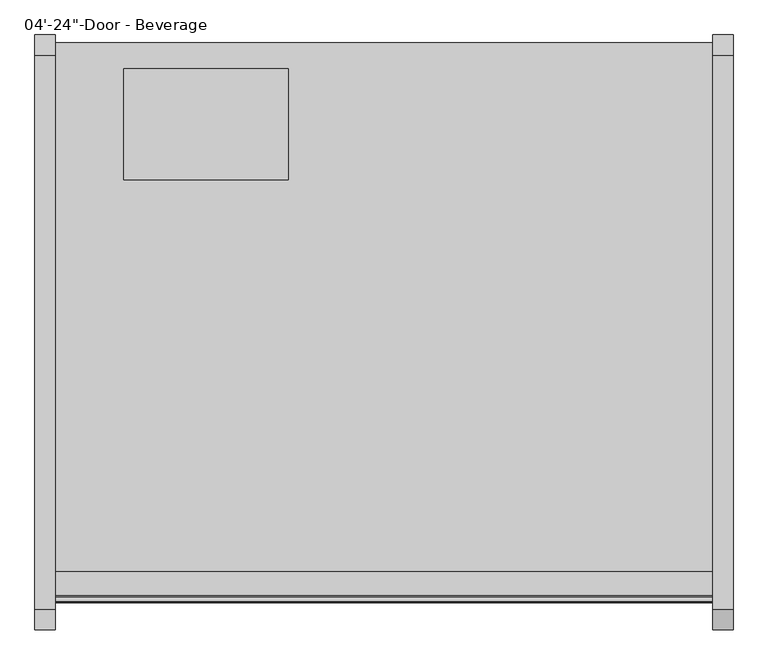
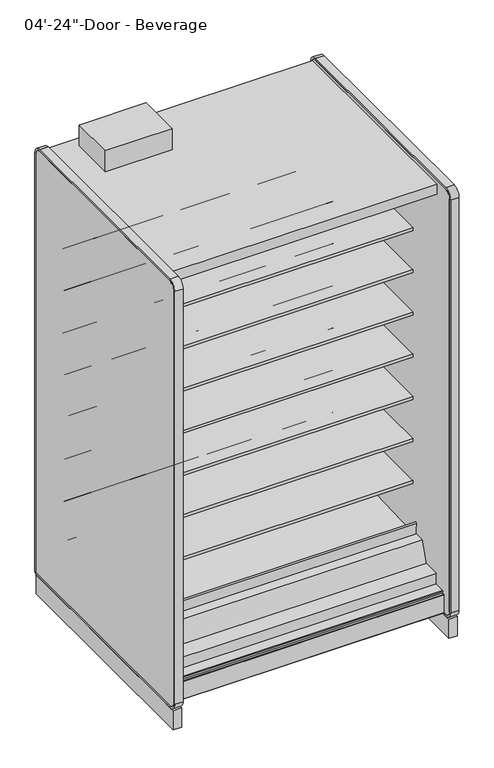
"""IFC4 building model written with IfcOpenShell, lengths in millimetres: proxy geometry."""

from ifc_helpers import new_model, si_unit, point, frame, frame_2d, origin, origin_with_axes, place, context, project, spatial, polyline, circle_curve, trimmed, segment, composite_curve, outline, extrude, source, transform, mapped, element, save
from ifc_brep_helpers import plane_surface, cylinder_surface, revolved_surface, advanced_brep


def proxy_7a38d4e4(model_context):
    return source(origin(), model_context, "Body", "SolidModel", [
        extrude(outline(composite_curve([segment(polyline([(-454.7591365, 587.0133455), (-454.7591365, 512.2441036), (-474.271416, 511.9123192)]), True, "CONTINUOUS"), segment(trimmed(circle_curve(frame_2d((-474.703252, 537.308648)), 25.4), [point((-474.271416, 511.9123192))], [point((-490.6806083, 517.5631653))], False, "CARTESIAN"), True, "CONTINUOUS"), segment(polyline([(-490.6806083, 517.5631653), (-508.5326694, 532.0084308)]), True, "CONTINUOUS"), segment(trimmed(circle_curve(frame_2d((-548.4760601, 482.6447241)), 63.5), [point((-508.5326694, 532.0084308))], [point((-540.5781788, 545.651656))], True, "CARTESIAN"), True, "CONTINUOUS"), segment(polyline([(-540.5781788, 545.651656), (-882.0268465, 569.3487934), (-883.515623, 572.7893455), (-1140.5591365, 572.7893455), (-1140.5591365, 587.0133455), (-454.7591365, 587.0133455)]), True, "CONTINUOUS")], self_intersect=False)), frame((0.0, 0.0, 0.0), z_axis=(1.0, 0.0, 0.0), x_axis=(0.0, 1.0, 0.0)), (0.0, 0.0, 1.0), 1219.2),
        extrude(outline(composite_curve([segment(polyline([(-454.7591365, 790.2133624), (-454.7591365, 715.4441204), (-474.271416, 715.112336)]), True, "CONTINUOUS"), segment(trimmed(circle_curve(frame_2d((-474.703252, 740.5086648)), 25.4), [point((-474.271416, 715.112336))], [point((-490.6806083, 720.7631821))], False, "CARTESIAN"), True, "CONTINUOUS"), segment(polyline([(-490.6806083, 720.7631821), (-508.5326694, 735.2084477)]), True, "CONTINUOUS"), segment(trimmed(circle_curve(frame_2d((-548.4760601, 685.8447409)), 63.5), [point((-508.5326694, 735.2084477))], [point((-540.5781788, 748.8516729))], True, "CARTESIAN"), True, "CONTINUOUS"), segment(polyline([(-540.5781788, 748.8516729), (-882.0268465, 772.5488103), (-883.515623, 775.9893624), (-1140.5591365, 775.9893624), (-1140.5591365, 790.2133624), (-454.7591365, 790.2133624)]), True, "CONTINUOUS")], self_intersect=False)), frame((0.0, 0.0, 0.0), z_axis=(1.0, 0.0, 0.0), x_axis=(0.0, 1.0, 0.0)), (0.0, 0.0, 1.0), 1219.2),
        extrude(outline(composite_curve([segment(polyline([(-454.7591365, 993.4133793), (-454.7591365, 918.6441373), (-474.271416, 918.3123529)]), True, "CONTINUOUS"), segment(trimmed(circle_curve(frame_2d((-474.703252, 943.7086817)), 25.4), [point((-474.271416, 918.3123529))], [point((-490.6806083, 923.963199))], False, "CARTESIAN"), True, "CONTINUOUS"), segment(polyline([(-490.6806083, 923.963199), (-508.5326694, 938.4084646)]), True, "CONTINUOUS"), segment(trimmed(circle_curve(frame_2d((-548.4760601, 889.0447578)), 63.5), [point((-508.5326694, 938.4084646))], [point((-540.5781788, 952.0516897))], True, "CARTESIAN"), True, "CONTINUOUS"), segment(polyline([(-540.5781788, 952.0516897), (-882.0268465, 975.7488272), (-883.515623, 979.1893793), (-1140.5591365, 979.1893793), (-1140.5591365, 993.4133793), (-454.7591365, 993.4133793)]), True, "CONTINUOUS")], self_intersect=False)), frame((0.0, 0.0, 0.0), z_axis=(1.0, 0.0, 0.0), x_axis=(0.0, 1.0, 0.0)), (0.0, 0.0, 1.0), 1219.2),
        extrude(outline(composite_curve([segment(polyline([(-454.7591365, 1196.6133961), (-454.7591365, 1121.8441542), (-474.271416, 1121.5123698)]), True, "CONTINUOUS"), segment(trimmed(circle_curve(frame_2d((-474.703252, 1146.9086986)), 25.4), [point((-474.271416, 1121.5123698))], [point((-490.6806083, 1127.1632159))], False, "CARTESIAN"), True, "CONTINUOUS"), segment(polyline([(-490.6806083, 1127.1632159), (-508.5326694, 1141.6084814)]), True, "CONTINUOUS"), segment(trimmed(circle_curve(frame_2d((-548.4760601, 1092.2447747)), 63.5), [point((-508.5326694, 1141.6084814))], [point((-540.5781788, 1155.2517066))], True, "CARTESIAN"), True, "CONTINUOUS"), segment(polyline([(-540.5781788, 1155.2517066), (-882.0268465, 1178.948844), (-883.515623, 1182.3893961), (-1140.5591365, 1182.3893961), (-1140.5591365, 1196.6133961), (-454.7591365, 1196.6133961)]), True, "CONTINUOUS")], self_intersect=False)), frame((0.0, 0.0, 0.0), z_axis=(1.0, 0.0, 0.0), x_axis=(0.0, 1.0, 0.0)), (0.0, 0.0, 1.0), 1219.2),
        extrude(outline(composite_curve([segment(polyline([(-454.7591365, 1399.813413), (-454.7591365, 1325.044171), (-474.271416, 1324.7123866)]), True, "CONTINUOUS"), segment(trimmed(circle_curve(frame_2d((-474.703252, 1350.1087155)), 25.4), [point((-474.271416, 1324.7123866))], [point((-490.6806083, 1330.3632328))], False, "CARTESIAN"), True, "CONTINUOUS"), segment(polyline([(-490.6806083, 1330.3632328), (-508.5326694, 1344.8084983)]), True, "CONTINUOUS"), segment(trimmed(circle_curve(frame_2d((-548.4760601, 1295.4447915)), 63.5), [point((-508.5326694, 1344.8084983))], [point((-540.5781788, 1358.4517235))], True, "CARTESIAN"), True, "CONTINUOUS"), segment(polyline([(-540.5781788, 1358.4517235), (-882.0268465, 1382.1488609), (-883.515623, 1385.589413), (-1140.5591365, 1385.589413), (-1140.5591365, 1399.813413), (-454.7591365, 1399.813413)]), True, "CONTINUOUS")], self_intersect=False)), frame((0.0, 0.0, 0.0), z_axis=(1.0, 0.0, 0.0), x_axis=(0.0, 1.0, 0.0)), (0.0, 0.0, 1.0), 1219.2),
        extrude(outline(composite_curve([segment(polyline([(-454.7591365, 1603.0134299), (-454.7591365, 1528.2441879), (-474.271416, 1527.9124035)]), True, "CONTINUOUS"), segment(trimmed(circle_curve(frame_2d((-474.703252, 1553.3087323)), 25.4), [point((-474.271416, 1527.9124035))], [point((-490.6806083, 1533.5632496))], False, "CARTESIAN"), True, "CONTINUOUS"), segment(polyline([(-490.6806083, 1533.5632496), (-508.5326694, 1548.0085152)]), True, "CONTINUOUS"), segment(trimmed(circle_curve(frame_2d((-548.4760601, 1498.6448084)), 63.5), [point((-508.5326694, 1548.0085152))], [point((-540.5781788, 1561.6517403))], True, "CARTESIAN"), True, "CONTINUOUS"), segment(polyline([(-540.5781788, 1561.6517403), (-882.0268465, 1585.3488778), (-883.515623, 1588.7894299), (-1140.5591365, 1588.7894299), (-1140.5591365, 1603.0134299), (-454.7591365, 1603.0134299)]), True, "CONTINUOUS")], self_intersect=False)), frame((0.0, 0.0, 0.0), z_axis=(1.0, 0.0, 0.0), x_axis=(0.0, 1.0, 0.0)), (0.0, 0.0, 1.0), 1219.2),
        extrude(outline(composite_curve([segment(polyline([(-454.7591365, 1806.2134975), (-454.7591365, 1731.4442556), (-474.271416, 1731.1124712)]), True, "CONTINUOUS"), segment(trimmed(circle_curve(frame_2d((-474.703252, 1756.5088)), 25.4), [point((-474.271416, 1731.1124712))], [point((-490.6806083, 1736.7633173))], False, "CARTESIAN"), True, "CONTINUOUS"), segment(polyline([(-490.6806083, 1736.7633173), (-508.5326694, 1751.2085828)]), True, "CONTINUOUS"), segment(trimmed(circle_curve(frame_2d((-548.4760601, 1701.8448761)), 63.5), [point((-508.5326694, 1751.2085828))], [point((-540.5781788, 1764.851808))], True, "CARTESIAN"), True, "CONTINUOUS"), segment(polyline([(-540.5781788, 1764.851808), (-882.0268465, 1788.5489454), (-883.515623, 1791.9894975), (-1140.5591365, 1791.9894975), (-1140.5591365, 1806.2134975), (-454.7591365, 1806.2134975)]), True, "CONTINUOUS")], self_intersect=False)), frame((0.0, 0.0, 0.0), z_axis=(1.0, 0.0, 0.0), x_axis=(0.0, 1.0, 0.0)), (0.0, 0.0, 1.0), 1219.2),
        extrude(outline(polyline([(0.0, -1311.974344), (0.0, -1337.374344), (-2.5796875, -1337.374344), (-2.5796875, -1311.974344), (0.0, -1311.974344)])), frame((0.0, 0.0, 252.8737805), z_axis=(0.0, 0.0, 1.0), x_axis=(1.0, 0.0, 0.0)), (0.0, 0.0, 1.0), 1827.8179128),
        extrude(outline(composite_curve([segment(trimmed(circle_curve(frame_2d((234.95, 1141.2737514)), 12.7), [point((247.65, 1141.2737514))], [point((222.25, 1141.2737514))], False, "CARTESIAN"), True, "CONTINUOUS"), segment(trimmed(circle_curve(frame_2d((234.95, 1141.2737514)), 12.7), [point((222.25, 1141.2737514))], [point((247.65, 1141.2737514))], False, "CARTESIAN"), True, "CONTINUOUS")], self_intersect=False)), frame((0.0, -399.5252577, 0.0), z_axis=(0.0, 1.0, 0.0), x_axis=(0.0, 0.0, 1.0)), (0.0, 0.0, 1.0), 50.5181304),
        extrude(outline(composite_curve([segment(trimmed(circle_curve(frame_2d((234.95, 1095.2472509)), 9.525), [point((244.475, 1095.2472509))], [point((225.425, 1095.2472509))], False, "CARTESIAN"), True, "CONTINUOUS"), segment(trimmed(circle_curve(frame_2d((234.95, 1095.2472509)), 9.525), [point((225.425, 1095.2472509))], [point((244.475, 1095.2472509))], False, "CARTESIAN"), True, "CONTINUOUS")], self_intersect=False)), frame((0.0, -399.5252577, 0.0), z_axis=(0.0, 1.0, 0.0), x_axis=(0.0, 0.0, 1.0)), (0.0, 0.0, 1.0), 50.5181304),
        advanced_brep(
        [(1219.2, -349.0071273, 104.775), (1219.2, -349.0071273, 2130.425), (1219.2, -1329.436844, 2130.425), (1219.2, -1329.436844, 2080.6916932), (1219.2, -403.9576348, 2080.6916932), (1219.2, -403.9576348, 191.9712577), (1219.2, -1233.6520806, 158.2443144), (1219.2, -1324.5178752, 168.8736205), (1219.2, -1324.5178752, 201.2766923), (1219.2, -1373.7502971, 201.2766923), (1219.2, -1376.4137132, 197.8095897), (1219.2, -1376.4137132, 188.9614574), (1219.2, -1385.2191773, 188.9614574), (1219.2, -1386.7939773, 187.3866574), (1219.2, -1386.7939773, 185.7356574), (1219.2, -1387.6575773, 185.7356574), (1219.2, -1387.6575773, 101.7483517), (1219.2, -1384.5102631, 101.0506089), (1219.2, -1382.7735511, 104.775), (0.0, -349.0071273, 104.775), (0.0, -1382.7735511, 104.775), (0.0, -1384.5102631, 101.0506089), (0.0, -1387.6575773, 101.7483517), (0.0, -1387.6575773, 185.7356574), (0.0, -1386.7939773, 185.7356574), (0.0, -1386.7939773, 187.3866574), (0.0, -1385.2191773, 188.9614574), (0.0, -1376.4137132, 188.9614574), (0.0, -1376.4137132, 197.8095897), (0.0, -1373.7502971, 201.2766923), (0.0, -1324.5178752, 201.2766923), (0.0, -1324.5178752, 168.8736205), (0.0, -1233.6520806, 158.2443144), (0.0, -403.9576348, 191.9712577), (0.0, -403.9576348, 2080.6916932), (0.0, -1329.436844, 2080.6916932), (0.0, -1329.436844, 2130.425), (0.0, -349.0071273, 2130.425), (1117.6, -349.0071273, 184.15), (1117.6, -349.0071273, 285.75), (1117.6, -399.5252577, 184.15), (1117.6, -399.5252577, 285.75)],
        [
            (0, 1),
            (1, 2),
            (2, 3),
            (3, 4),
            (4, 5),
            (5, 6),
            (6, 7),
            (7, 8),
            (8, 9),
            (9, 10, circle_curve(frame((1219.2, -1372.3299277, 197.4290047), z_axis=(1.0, 0.0, 0.0), x_axis=(0.0, 1.0, 0.0)), 4.1014814)),
            (10, 11),
            (11, 12),
            (12, 13, circle_curve(frame((1219.2, -1385.2191773, 187.3866574), z_axis=(1.0, 0.0, 0.0), x_axis=(0.0, 1.0, 0.0)), 1.5748)),
            (13, 14),
            (14, 15),
            (15, 16),
            (16, 17, circle_curve(frame((1219.2, -1386.0065773, 101.7483517), z_axis=(1.0, 0.0, 0.0), x_axis=(0.0, 1.0, 0.0)), 1.651)),
            (17, 18),
            (18, 0),
            (19, 20),
            (20, 21),
            (21, 22, circle_curve(frame((0.0, -1386.0065773, 101.7483517), z_axis=(-1.0, 0.0, 0.0), x_axis=(0.0, 1.0, 0.0)), 1.651)),
            (22, 23),
            (23, 24),
            (24, 25),
            (25, 26, circle_curve(frame((0.0, -1385.2191773, 187.3866574), z_axis=(-1.0, 0.0, 0.0), x_axis=(0.0, 1.0, 0.0)), 1.5748)),
            (26, 27),
            (27, 28),
            (28, 29, circle_curve(frame((0.0, -1372.3299277, 197.4290047), z_axis=(-1.0, 0.0, 0.0), x_axis=(0.0, 1.0, 0.0)), 4.1014814)),
            (29, 30),
            (30, 31),
            (31, 32),
            (32, 33),
            (33, 34),
            (34, 35),
            (35, 36),
            (36, 37),
            (37, 19),
            (0, 19),
            (37, 1),
            (38, 39, circle_curve(frame((1117.6, -349.0071273, 234.95), z_axis=(0.0, -1.0, 0.0), x_axis=(0.0, 0.0, 1.0)), 50.8)),
            (39, 38, circle_curve(frame((1117.6, -349.0071273, 234.95), z_axis=(0.0, -1.0, 0.0), x_axis=(0.0, 0.0, 1.0)), 50.8)),
            (18, 20),
            (36, 2),
            (35, 3),
            (34, 4),
            (33, 5),
            (32, 6),
            (31, 7),
            (30, 8),
            (29, 9),
            (28, 10),
            (27, 11),
            (26, 12),
            (25, 13),
            (24, 14),
            (23, 15),
            (22, 16),
            (21, 17),
            (40, 41, circle_curve(frame((1117.6, -399.5252577, 234.95), z_axis=(0.0, 1.0, 0.0), x_axis=(0.0, 0.0, 1.0)), 50.8)),
            (41, 40, circle_curve(frame((1117.6, -399.5252577, 234.95), z_axis=(0.0, 1.0, 0.0), x_axis=(0.0, 0.0, 1.0)), 50.8)),
            (41, 39),
            (38, 40),
        ],
        [
            plane_surface(frame((1219.2, -349.0071273, 2132.8596217), z_axis=(1.0, 0.0, 0.0), x_axis=(0.0, 0.0, 1.0))),
            plane_surface(frame((0.0, -349.0071273, 2132.8596217), z_axis=(-1.0, 0.0, 0.0), x_axis=(0.0, 0.0, -1.0))),
            plane_surface(frame((1219.2, -349.0071273, 104.775), z_axis=(0.0, 1.0, 0.0), x_axis=(-1.0, 0.0, 0.0))),
            plane_surface(frame((1219.2, -1382.7735511, 104.775), z_axis=(0.0, 0.0, -1.0), x_axis=(-1.0, 0.0, 0.0))),
            plane_surface(frame((1219.2, -349.0071273, 2130.425), z_axis=(0.0, 0.0, 1.0), x_axis=(-1.0, 0.0, 0.0))),
            plane_surface(frame((1219.2, -1329.436844, 2130.425), z_axis=(0.0, -1.0, 0.0), x_axis=(-1.0, 0.0, 0.0))),
            plane_surface(frame((1219.2, -1329.436844, 2080.6916932), z_axis=(0.0, 0.0, -1.0), x_axis=(-1.0, 0.0, 0.0))),
            plane_surface(frame((1219.2, -403.9576348, 2080.6916932), z_axis=(0.0, -1.0, 0.0), x_axis=(-1.0, 0.0, 0.0))),
            plane_surface(frame((1219.2, -403.9576348, 191.9712577), z_axis=(0.0, -0.04061629258568852, 0.999174817925569), x_axis=(-1.0, 0.0, 0.0))),
            plane_surface(frame((1219.2, -1233.6520806, 158.2443144), z_axis=(0.0, 0.11618584341211524, 0.9932274914593411), x_axis=(-1.0, 0.0, 0.0))),
            plane_surface(frame((1219.2, -1324.5178752, 168.8736205), z_axis=(0.0, 1.0, 0.0), x_axis=(-1.0, 0.0, 0.0))),
            plane_surface(frame((1219.2, -1324.5178752, 201.2766923), z_axis=(0.0, 0.0, 1.0), x_axis=(-1.0, 0.0, 0.0))),
            cylinder_surface(frame((0.0, -1372.3299277, 197.4290047), z_axis=(1.0, 0.0, 0.0), x_axis=(0.0, 1.0, 0.0)), 4.1014814),
            plane_surface(frame((1219.2, -1376.4137132, 197.8095897), z_axis=(0.0, -1.0, 0.0), x_axis=(-1.0, 0.0, 0.0))),
            plane_surface(frame((1219.2, -1376.4137132, 188.9614574), z_axis=(0.0, 0.0, 1.0), x_axis=(-1.0, 0.0, 0.0))),
            cylinder_surface(frame((0.0, -1385.2191773, 187.3866574), z_axis=(1.0, 0.0, 0.0), x_axis=(0.0, 1.0, 0.0)), 1.5748),
            plane_surface(frame((1219.2, -1386.7939773, 187.3866574), z_axis=(0.0, -1.0, 0.0), x_axis=(-1.0, 0.0, 0.0))),
            plane_surface(frame((1219.2, -1386.7939773, 185.7356574), z_axis=(0.0, 0.0, 1.0), x_axis=(-1.0, 0.0, 0.0))),
            plane_surface(frame((1219.2, -1387.6575773, 185.7356574), z_axis=(0.0, -1.0, 0.0), x_axis=(-1.0, 0.0, 0.0))),
            cylinder_surface(frame((0.0, -1386.0065773, 101.7483517), z_axis=(1.0, 0.0, 0.0), x_axis=(0.0, 1.0, 0.0)), 1.651),
            plane_surface(frame((1219.2, -1384.5102631, 101.0506089), z_axis=(0.0, 0.9063077870366392, -0.4226182617407228), x_axis=(-1.0, 0.0, 0.0))),
            plane_surface(frame((1117.6, -399.5252577, 285.75), z_axis=(0.0, 1.0, 0.0), x_axis=(-1.0, 0.0, 0.0))),
            revolved_surface(polyline([(1117.6, -399.5252577, 285.75), (1117.6, -349.0071273, 285.75)]), (1117.6, -349.0071273, 234.95), (0.0, -1.0, 0.0)),
        ],
        [
            (0, [[1, 2, 3, 4, 5, 6, 7, 8, 9, 10, 11, 12, 13, 14, 15, 16, 17, 18, 19]]),
            (1, [[20, 21, 22, 23, 24, 25, 26, 27, 28, 29, 30, 31, 32, 33, 34, 35, 36, 37, 38]]),
            (2, [[-1, 39, -38, 40], [41, 42]]),
            (3, [[-19, 43, -20, -39]]),
            (4, [[-2, -40, -37, 44]]),
            (5, [[-3, -44, -36, 45]]),
            (6, [[-4, -45, -35, 46]]),
            (7, [[-5, -46, -34, 47]]),
            (8, [[-6, -47, -33, 48]]),
            (9, [[-7, -48, -32, 49]]),
            (10, [[-8, -49, -31, 50]]),
            (11, [[-9, -50, -30, 51]]),
            (12, [[-10, -51, -29, 52]]),
            (13, [[-11, -52, -28, 53]]),
            (14, [[-12, -53, -27, 54]]),
            (15, [[-13, -54, -26, 55]]),
            (16, [[-14, -55, -25, 56]]),
            (17, [[-15, -56, -24, 57]]),
            (18, [[-16, -57, -23, 58]]),
            (19, [[-17, -58, -22, 59]]),
            (20, [[-18, -59, -21, -43]]),
            (21, [[60, 61]]),
            (22, [[-61, 62, -41, 63]]),
            (22, [[-60, -63, -42, -62]]),
        ],
    ),
        extrude(outline(composite_curve([segment(polyline([(-538.5972303, 351.4802626), (-1154.388777, 327.2645134)]), True, "CONTINUOUS"), segment(trimmed(circle_curve(frame_2d((-1154.8189466, 338.2034585)), 10.9474), [point((-1154.388777, 327.2645134))], [point((-1165.7578917, 337.773289))], False, "CARTESIAN"), True, "CONTINUOUS"), segment(polyline([(-1165.7578917, 337.773289), (-1168.1692364, 399.0922948)]), True, "CONTINUOUS"), segment(trimmed(circle_curve(frame_2d((-1164.2860378, 399.245)), 3.8862), [point((-1168.1692364, 399.0922948))], [point((-1160.4028391, 399.3977051))], False, "CARTESIAN"), True, "CONTINUOUS"), segment(polyline([(-1160.4028391, 399.3977051), (-1157.9914945, 338.0786994)]), True, "CONTINUOUS"), segment(trimmed(circle_curve(frame_2d((-1154.8189466, 338.2034585)), 3.175), [point((-1157.9914945, 338.0786994))], [point((-1154.6941874, 335.0309106))], True, "CARTESIAN"), True, "CONTINUOUS"), segment(polyline([(-1154.6941874, 335.0309106), (-531.8538504, 359.5238507)]), True, "CONTINUOUS"), segment(trimmed(circle_curve(frame_2d((-531.6974468, 355.6351883)), 3.8918064), [point((-531.8538504, 359.5238507))], [point((-531.2499972, 351.7691895))], False, "CARTESIAN"), True, "CONTINUOUS"), segment(polyline([(-531.2499972, 351.7691895), (-538.5972303, 351.4802626)]), True, "CONTINUOUS")], self_intersect=False)), frame((0.0, 0.0, 0.0), z_axis=(1.0, 0.0, 0.0), x_axis=(0.0, 1.0, 0.0)), (0.0, 0.0, 1.0), 1219.2),
        extrude(outline(polyline([(-403.9576348, 191.9712577), (-1233.6520806, 158.2443144), (-1324.5178752, 168.8736205), (-1324.5178752, 252.8737805), (-1245.7743426, 252.8737805), (-1214.6387574, 346.8534577), (-1169.1341365, 348.4440826), (-1169.1341365, 325.727789), (-525.3143623, 351.8989573), (-525.3143623, 370.9489573), (-468.1992452, 372.9454299), (-468.1992452, 376.1204299), (-454.7591365, 376.1204299), (-454.7591365, 268.1711844), (-403.9576348, 268.1711844), (-403.9576348, 191.9712577)])), frame((0.0, 0.0, 0.0), z_axis=(1.0, 0.0, 0.0), x_axis=(0.0, 1.0, 0.0)), (0.0, 0.0, 1.0), 1219.2),
        extrude(outline(polyline([(-403.9576348, 268.1711844), (-454.7591365, 268.1711844), (-454.7591365, 2052.6003941), (-1174.1318532, 2052.6003941), (-1284.0733806, 2079.0595231), (-1284.0733806, 2080.6916932), (-403.9576348, 2080.6916932), (-403.9576348, 268.1711844)])), frame((0.0, 0.0, 0.0), z_axis=(1.0, 0.0, 0.0), x_axis=(0.0, 1.0, 0.0)), (0.0, 0.0, 1.0), 1219.2),
        extrude(outline(composite_curve([segment(trimmed(circle_curve(frame_2d((609.6, -1072.9071273)), 38.1), [point((571.5, -1072.9071273))], [point((647.7, -1072.9071273))], False, "CARTESIAN"), True, "CONTINUOUS"), segment(trimmed(circle_curve(frame_2d((609.6, -1072.9071273)), 38.1), [point((647.7, -1072.9071273))], [point((571.5, -1072.9071273))], False, "CARTESIAN"), True, "CONTINUOUS")], self_intersect=False)), frame((0.0, 0.0, -5.8513653), z_axis=(0.0, 0.0, 1.0), x_axis=(1.0, 0.0, 0.0)), (0.0, 0.0, 1.0), 110.6263653),
        extrude(outline(composite_curve([segment(trimmed(circle_curve(frame_2d((972.4604036, -1069.7321273)), 9.525), [point((962.9354036, -1069.7321273))], [point((981.9854036, -1069.7321273))], False, "CARTESIAN"), True, "CONTINUOUS"), segment(trimmed(circle_curve(frame_2d((972.4604036, -1069.7321273)), 9.525), [point((981.9854036, -1069.7321273))], [point((962.9354036, -1069.7321273))], False, "CARTESIAN"), True, "CONTINUOUS")], self_intersect=False)), frame((0.0, 0.0, -5.8513653), z_axis=(0.0, 0.0, 1.0), x_axis=(1.0, 0.0, 0.0)), (0.0, 0.0, 1.0), 110.6263653),
        extrude(outline(composite_curve([segment(trimmed(circle_curve(frame_2d((1017.3868135, -1069.7321273)), 12.7), [point((1004.6868135, -1069.7321273))], [point((1030.0868135, -1069.7321273))], False, "CARTESIAN"), True, "CONTINUOUS"), segment(trimmed(circle_curve(frame_2d((1017.3868135, -1069.7321273)), 12.7), [point((1030.0868135, -1069.7321273))], [point((1004.6868135, -1069.7321273))], False, "CARTESIAN"), True, "CONTINUOUS")], self_intersect=False)), frame((0.0, 0.0, -5.8513653), z_axis=(0.0, 0.0, 1.0), x_axis=(1.0, 0.0, 0.0)), (0.0, 0.0, 1.0), 110.6263653),
        extrude(outline(polyline([(127.0, -603.0071273), (127.0, -397.0385273), (431.8, -397.0385273), (431.8, -603.0071273), (127.0, -603.0071273)])), frame((0.0, 0.0, 2130.425), z_axis=(0.0, 0.0, 1.0), x_axis=(1.0, 0.0, 0.0)), (0.0, 0.0, 1.0), 101.6),
        extrude(outline(composite_curve([segment(polyline([(-1399.9321273, 2155.825), (-372.4698732, 2155.825)]), True, "CONTINUOUS"), segment(trimmed(circle_curve(frame_2d((-372.4698732, 2117.725)), 38.1), [point((-372.4698732, 2155.825))], [point((-334.3698732, 2117.725))], False, "CARTESIAN"), True, "CONTINUOUS"), segment(polyline([(-334.3698732, 2117.725), (-334.3698732, 104.7405759)]), True, "CONTINUOUS"), segment(trimmed(circle_curve(frame_2d((-347.0698732, 104.7405759)), 12.7), [point((-334.3698732, 104.7405759))], [point((-347.0698732, 92.0405759))], False, "CARTESIAN"), True, "CONTINUOUS"), segment(polyline([(-347.0698732, 92.0405759), (-1399.9321273, 92.0405759)]), True, "CONTINUOUS"), segment(trimmed(circle_curve(frame_2d((-1399.9321273, 130.1405759)), 38.1), [point((-1399.9321273, 92.0405759))], [point((-1438.0321273, 130.1405759))], False, "CARTESIAN"), True, "CONTINUOUS"), segment(polyline([(-1438.0321273, 130.1405759), (-1438.0321273, 2117.725)]), True, "CONTINUOUS"), segment(trimmed(circle_curve(frame_2d((-1399.9321273, 2117.725)), 38.1), [point((-1438.0321273, 2117.725))], [point((-1399.9321273, 2155.825))], False, "CARTESIAN"), True, "CONTINUOUS")], self_intersect=False), holes=[composite_curve([segment(polyline([(-1399.9321273, 101.5655759), (-347.0698732, 101.5655759)]), True, "CONTINUOUS"), segment(trimmed(circle_curve(frame_2d((-347.0698732, 104.7405759)), 3.175), [point((-347.0698732, 101.5655759))], [point((-343.8948732, 104.7405759))], True, "CARTESIAN"), True, "CONTINUOUS"), segment(polyline([(-343.8948732, 104.7405759), (-343.8948732, 2117.725)]), True, "CONTINUOUS"), segment(trimmed(circle_curve(frame_2d((-372.4698732, 2117.725)), 28.575), [point((-343.8948732, 2117.725))], [point((-372.4698732, 2146.3))], True, "CARTESIAN"), True, "CONTINUOUS"), segment(polyline([(-372.4698732, 2146.3), (-1399.9321273, 2146.3)]), True, "CONTINUOUS"), segment(trimmed(circle_curve(frame_2d((-1399.9321273, 2117.725)), 28.575), [point((-1399.9321273, 2146.3))], [point((-1428.5071273, 2117.725))], True, "CARTESIAN"), True, "CONTINUOUS"), segment(polyline([(-1428.5071273, 2117.725), (-1428.5071273, 130.1405759)]), True, "CONTINUOUS"), segment(trimmed(circle_curve(frame_2d((-1399.9321273, 130.1405759)), 28.575), [point((-1428.5071273, 130.1405759))], [point((-1399.9321273, 101.5655759))], True, "CARTESIAN"), True, "CONTINUOUS")], self_intersect=False)]), frame((-38.1, 0.0, 0.0), z_axis=(1.0, 0.0, 0.0), x_axis=(0.0, 1.0, 0.0)), (0.0, 0.0, 1.0), 38.1),
        extrude(outline(composite_curve([segment(polyline([(-1399.9321273, 2146.3), (-372.4698732, 2146.3)]), True, "CONTINUOUS"), segment(trimmed(circle_curve(frame_2d((-372.4698732, 2117.725)), 28.575), [point((-372.4698732, 2146.3))], [point((-343.8948732, 2117.725))], False, "CARTESIAN"), True, "CONTINUOUS"), segment(polyline([(-343.8948732, 2117.725), (-343.8948732, 104.7405759)]), True, "CONTINUOUS"), segment(trimmed(circle_curve(frame_2d((-347.0698732, 104.7405759)), 3.175), [point((-343.8948732, 104.7405759))], [point((-347.0698732, 101.5655759))], False, "CARTESIAN"), True, "CONTINUOUS"), segment(polyline([(-347.0698732, 101.5655759), (-1399.9321273, 101.5655759)]), True, "CONTINUOUS"), segment(trimmed(circle_curve(frame_2d((-1399.9321273, 130.1405759)), 28.575), [point((-1399.9321273, 101.5655759))], [point((-1428.5071273, 130.1405759))], False, "CARTESIAN"), True, "CONTINUOUS"), segment(polyline([(-1428.5071273, 130.1405759), (-1428.5071273, 2117.725)]), True, "CONTINUOUS"), segment(trimmed(circle_curve(frame_2d((-1399.9321273, 2117.725)), 28.575), [point((-1428.5071273, 2117.725))], [point((-1399.9321273, 2146.3))], False, "CARTESIAN"), True, "CONTINUOUS")], self_intersect=False)), frame((-38.1, 0.0, 0.0), z_axis=(1.0, 0.0, 0.0), x_axis=(0.0, 1.0, 0.0)), (0.0, 0.0, 1.0), 38.1),
        extrude(outline(composite_curve([segment(polyline([(-1399.9321273, 2146.3), (-372.4698732, 2146.3)]), True, "CONTINUOUS"), segment(trimmed(circle_curve(frame_2d((-372.4698732, 2117.725)), 28.575), [point((-372.4698732, 2146.3))], [point((-343.8948732, 2117.725))], False, "CARTESIAN"), True, "CONTINUOUS"), segment(polyline([(-343.8948732, 2117.725), (-343.8948732, 104.7405759)]), True, "CONTINUOUS"), segment(trimmed(circle_curve(frame_2d((-347.0698732, 104.7405759)), 3.175), [point((-343.8948732, 104.7405759))], [point((-347.0698732, 101.5655759))], False, "CARTESIAN"), True, "CONTINUOUS"), segment(polyline([(-347.0698732, 101.5655759), (-1399.9321273, 101.5655759)]), True, "CONTINUOUS"), segment(trimmed(circle_curve(frame_2d((-1399.9321273, 130.1405759)), 28.575), [point((-1399.9321273, 101.5655759))], [point((-1428.5071273, 130.1405759))], False, "CARTESIAN"), True, "CONTINUOUS"), segment(polyline([(-1428.5071273, 130.1405759), (-1428.5071273, 2117.725)]), True, "CONTINUOUS"), segment(trimmed(circle_curve(frame_2d((-1399.9321273, 2117.725)), 28.575), [point((-1428.5071273, 2117.725))], [point((-1399.9321273, 2146.3))], False, "CARTESIAN"), True, "CONTINUOUS")], self_intersect=False)), frame((1219.2, 0.0, 0.0), z_axis=(1.0, 0.0, 0.0), x_axis=(0.0, 1.0, 0.0)), (0.0, 0.0, 1.0), 38.1),
        extrude(outline(composite_curve([segment(polyline([(-1399.9321273, 2155.825), (-372.4698732, 2155.825)]), True, "CONTINUOUS"), segment(trimmed(circle_curve(frame_2d((-372.4698732, 2117.725)), 38.1), [point((-372.4698732, 2155.825))], [point((-334.3698732, 2117.725))], False, "CARTESIAN"), True, "CONTINUOUS"), segment(polyline([(-334.3698732, 2117.725), (-334.3698732, 104.7405759)]), True, "CONTINUOUS"), segment(trimmed(circle_curve(frame_2d((-347.0698732, 104.7405759)), 12.7), [point((-334.3698732, 104.7405759))], [point((-347.0698732, 92.0405759))], False, "CARTESIAN"), True, "CONTINUOUS"), segment(polyline([(-347.0698732, 92.0405759), (-1399.9321273, 92.0405759)]), True, "CONTINUOUS"), segment(trimmed(circle_curve(frame_2d((-1399.9321273, 130.1405759)), 38.1), [point((-1399.9321273, 92.0405759))], [point((-1438.0321273, 130.1405759))], False, "CARTESIAN"), True, "CONTINUOUS"), segment(polyline([(-1438.0321273, 130.1405759), (-1438.0321273, 2117.725)]), True, "CONTINUOUS"), segment(trimmed(circle_curve(frame_2d((-1399.9321273, 2117.725)), 38.1), [point((-1438.0321273, 2117.725))], [point((-1399.9321273, 2155.825))], False, "CARTESIAN"), True, "CONTINUOUS")], self_intersect=False), holes=[composite_curve([segment(polyline([(-1399.9321273, 101.5655759), (-347.0698732, 101.5655759)]), True, "CONTINUOUS"), segment(trimmed(circle_curve(frame_2d((-347.0698732, 104.7405759)), 3.175), [point((-347.0698732, 101.5655759))], [point((-343.8948732, 104.7405759))], True, "CARTESIAN"), True, "CONTINUOUS"), segment(polyline([(-343.8948732, 104.7405759), (-343.8948732, 2117.725)]), True, "CONTINUOUS"), segment(trimmed(circle_curve(frame_2d((-372.4698732, 2117.725)), 28.575), [point((-343.8948732, 2117.725))], [point((-372.4698732, 2146.3))], True, "CARTESIAN"), True, "CONTINUOUS"), segment(polyline([(-372.4698732, 2146.3), (-1399.9321273, 2146.3)]), True, "CONTINUOUS"), segment(trimmed(circle_curve(frame_2d((-1399.9321273, 2117.725)), 28.575), [point((-1399.9321273, 2146.3))], [point((-1428.5071273, 2117.725))], True, "CARTESIAN"), True, "CONTINUOUS"), segment(polyline([(-1428.5071273, 2117.725), (-1428.5071273, 130.1405759)]), True, "CONTINUOUS"), segment(trimmed(circle_curve(frame_2d((-1399.9321273, 130.1405759)), 28.575), [point((-1428.5071273, 130.1405759))], [point((-1399.9321273, 101.5655759))], True, "CARTESIAN"), True, "CONTINUOUS")], self_intersect=False)]), frame((1219.2, 0.0, 0.0), z_axis=(1.0, 0.0, 0.0), x_axis=(0.0, 1.0, 0.0)), (0.0, 0.0, 1.0), 38.1),
        extrude(outline(polyline([(1257.3, -349.0071273), (1257.3, -1425.3321273), (1219.2, -1425.3321273), (1219.2, -349.0071273), (1257.3, -349.0071273)])), origin_with_axes(), (0.0, 0.0, 1.0), 92.075),
        extrude(outline(polyline([(0.0, -346.2385273), (0.0, -1425.3321273), (-38.1, -1425.3321273), (-38.1, -346.2385273), (0.0, -346.2385273)])), origin_with_axes(), (0.0, 0.0, 1.0), 92.075),
    ])


if __name__ == "__main__":
    model = new_model("IFC4")
    model_context = context("Model", 3, world=origin())
    ifc_project = project(units=[si_unit("LENGTHUNIT", "METRE", prefix="MILLI")], contexts=[model_context])
    site = spatial("IfcSite", under=ifc_project)
    building = spatial("IfcBuilding", under=site)
    placement = place(None, origin())
    proxy_shape = proxy_7a38d4e4(model_context)
    element("IfcBuildingElementProxy", 1, Name="04'-24\"-Door - Beverage", ObjectType="04'-24\"-Door - Beverage", at=placement, inside=building, context=model_context, shape_type="MappedRepresentation", body=[
        mapped(proxy_shape, transform((0.0, 0.0, 0.0), x_axis=(1.0, 0.0, 0.0), y_axis=(0.0, 1.0, 0.0), z_axis=(0.0, 0.0, 1.0))),
    ])
    save(model, "model.ifc")
